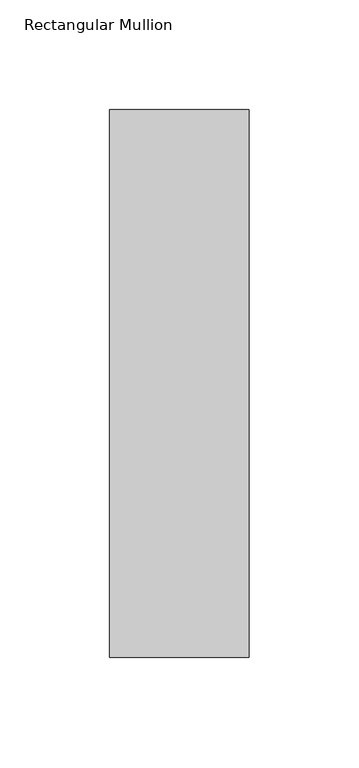
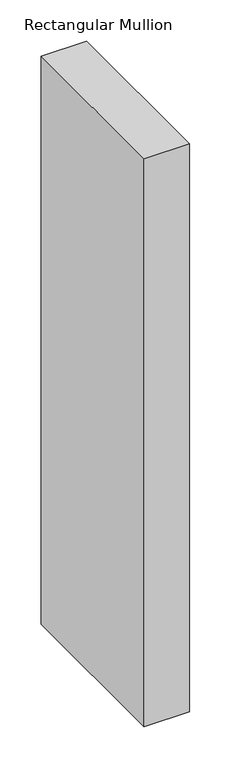
"""IFC4 building model written with IfcOpenShell, lengths in millimetres: member geometry, Rectangular Mullion."""

from ifc_helpers import new_model, si_unit, frame, origin, place, context, project, spatial, polyline, outline, extrude, source, transform, mapped, element, save


def rectangular_mullion_13b7e9cd(model_context):
    return source(origin(), model_context, "Body", "SweptSolid", [
        extrude(outline(polyline([(31.7499996, 295.9695313), (31.75, 46.7447302), (-31.75, 46.7447302), (-31.75, 295.9695313), (31.7499996, 295.9695313)])), frame((0.0, 0.0, -838.2), z_axis=(0.0, 0.0, 1.0), x_axis=(1.0, 0.0, 0.0)), (0.0, 0.0, 1.0), 838.2),
    ])


if __name__ == "__main__":
    model = new_model("IFC4")
    model_context = context("Model", 3, world=origin())
    ifc_project = project(units=[si_unit("LENGTHUNIT", "METRE", prefix="MILLI")], contexts=[model_context])
    site = spatial("IfcSite", under=ifc_project)
    building = spatial("IfcBuilding", under=site)
    placement = place(None, origin())
    rectangular_mullion_shape = rectangular_mullion_13b7e9cd(model_context)
    element("IfcMember", 1, ObjectType="Rectangular Mullion", at=placement, inside=building, context=model_context, shape_type="MappedRepresentation", body=[
        mapped(rectangular_mullion_shape, transform((0.0, 0.0, 0.0), x_axis=(1.0, 0.0, 0.0), y_axis=(0.0, 1.0, 0.0), z_axis=(0.0, 0.0, 1.0))),
    ])
    save(model, "model.ifc")
